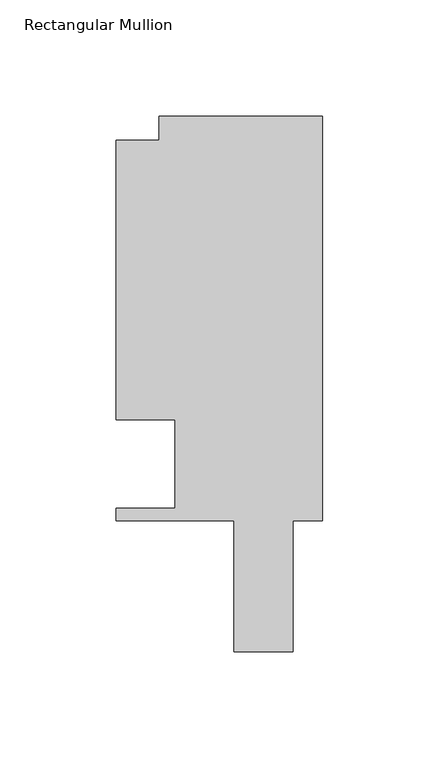
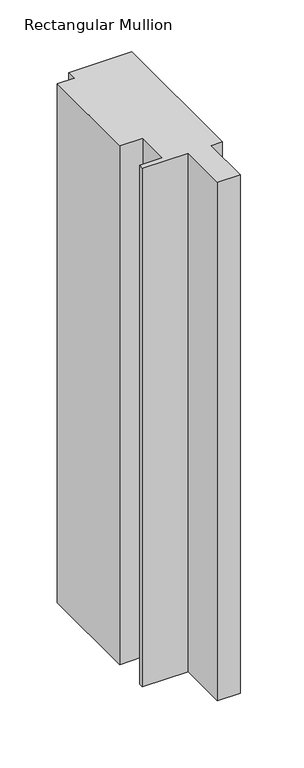
"""IFC4 building model written with IfcOpenShell, lengths in millimetres: member geometry, Rectangular Mullion."""

from ifc_helpers import new_model, si_unit, frame, origin, place, context, project, spatial, polyline, outline, extrude, source, transform, mapped, element, save


def rectangular_mullion_cce2ba0c(model_context):
    return source(origin(), model_context, "Body", "SweptSolid", [
        extrude(outline(polyline([(0.0, 162.3059961), (0.0, -11.684), (-12.704103, -11.684), (-12.704103, -68.072), (-38.1131928, -68.072), (-38.1131928, -11.684), (-88.9131928, -11.684), (-88.9131928, -6.35), (-63.5131928, -6.35), (-63.5131928, 31.75), (-88.9131928, 31.75), (-88.9131928, 151.892), (-70.395709, 151.892), (-70.395709, 162.3059961), (0.0, 162.3059961)])), frame((0.0, 0.0, -609.6), z_axis=(0.0, 0.0, 1.0), x_axis=(1.0, 0.0, 0.0)), (0.0, 0.0, 1.0), 609.6),
    ])


if __name__ == "__main__":
    model = new_model("IFC4")
    model_context = context("Model", 3, world=origin())
    ifc_project = project(units=[si_unit("LENGTHUNIT", "METRE", prefix="MILLI")], contexts=[model_context])
    site = spatial("IfcSite", under=ifc_project)
    building = spatial("IfcBuilding", under=site)
    placement = place(None, origin())
    rectangular_mullion_shape = rectangular_mullion_cce2ba0c(model_context)
    element("IfcMember", 1, ObjectType="Rectangular Mullion", at=placement, inside=building, context=model_context, shape_type="MappedRepresentation", body=[
        mapped(rectangular_mullion_shape, transform((0.0, 0.0, 0.0), x_axis=(1.0, 0.0, 0.0), y_axis=(0.0, 1.0, 0.0), z_axis=(0.0, 0.0, 1.0))),
    ])
    save(model, "model.ifc")
